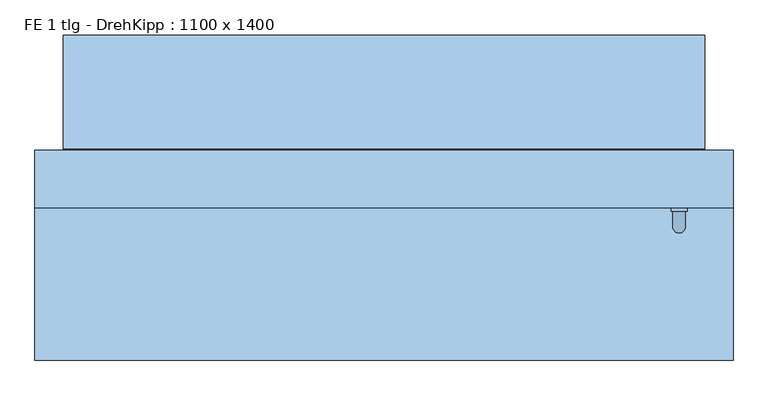
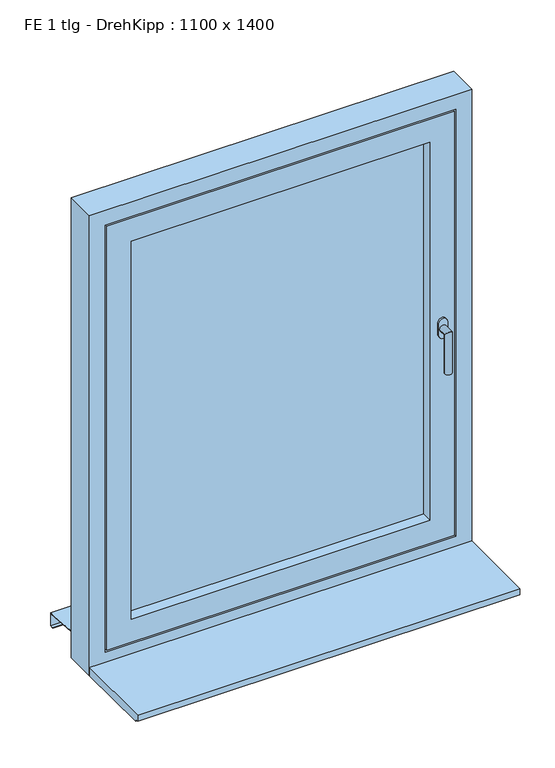
"""IFC4 building model written with IfcOpenShell, lengths in millimetres: window geometry, FE 1 tlg - DrehKipp : 1100 x 1400."""

from ifc_helpers import new_model, si_unit, frame, origin, place, context, project, spatial, polyline, circle_curve, ellipse_curve, outline, extrude, faceted_brep, source, transform, mapped, element, save
from ifc_brep_helpers import plane_surface, cylinder_surface, advanced_brep


def fe_1_tlg_drehkipp_1100_x_1400_0585fe8c(model_context):
    return source(origin(), model_context, "Body", "SolidModel", [
        advanced_brep(
        [(452.5, -5.0, 1572.5), (477.5, -5.0, 1572.5), (477.5, -5.0, 1555.0), (477.5, -5.0, 1537.5), (452.5, -5.0, 1537.5), (452.5, -5.0, 1555.0), (475.0, -35.0, 1555.0), (475.0, -11.0, 1555.0), (455.0, -11.0, 1555.0), (455.0, -35.0, 1555.0), (475.0, -35.0, 1435.0), (455.0, -35.0, 1435.0), (452.5, -11.0, 1572.5), (452.5, -11.0, 1555.0), (452.5, -11.0, 1537.5), (477.5, -11.0, 1537.5), (477.5, -11.0, 1555.0), (477.5, -11.0, 1572.5)],
        [
            (0, 1, circle_curve(frame((465.0, -5.0, 1572.5), z_axis=(0.0, 1.0, 0.0), x_axis=(-1.0, 0.0, 0.0)), 12.5)),
            (1, 2),
            (2, 3),
            (3, 4, circle_curve(frame((465.0, -5.0, 1537.5), z_axis=(0.0, 1.0, 0.0), x_axis=(-1.0, 0.0, 0.0)), 12.5)),
            (4, 5),
            (5, 0),
            (6, 7),
            (7, 8, circle_curve(frame((465.0, -11.0, 1555.0), z_axis=(0.0, -1.0, 0.0), x_axis=(-1.0, 0.0, 0.0)), 10.0)),
            (8, 9),
            (9, 6, ellipse_curve(frame((465.0, -35.0, 1555.0), z_axis=(0.0, 0.7071067811865498, 0.7071067811865451), x_axis=(0.0, 0.7071067811865452, -0.7071067811865497)), 14.1421356, 10.0)),
            (8, 7, circle_curve(frame((465.0, -11.0, 1555.0), z_axis=(0.0, -1.0, 0.0), x_axis=(-1.0, 0.0, 0.0)), 10.0)),
            (6, 9, ellipse_curve(frame((465.0, -35.0, 1555.0), z_axis=(0.0, 0.7071067811865498, 0.7071067811865451), x_axis=(0.0, 0.7071067811865452, -0.7071067811865497)), 14.1421356, 10.0)),
            (10, 11, circle_curve(frame((465.0, -35.0, 1435.0), z_axis=(0.0, 0.0, -1.0), x_axis=(-1.0, 0.0, 0.0)), 10.0)),
            (11, 10, circle_curve(frame((465.0, -35.0, 1435.0), z_axis=(0.0, 0.0, -1.0), x_axis=(-1.0, 0.0, 0.0)), 10.0)),
            (9, 11),
            (10, 6),
            (12, 13),
            (13, 14),
            (14, 15, circle_curve(frame((465.0, -11.0, 1537.5), z_axis=(0.0, -1.0, 0.0), x_axis=(-1.0, 0.0, 0.0)), 12.5)),
            (15, 16),
            (16, 17),
            (17, 12, circle_curve(frame((465.0, -11.0, 1572.5), z_axis=(0.0, -1.0, 0.0), x_axis=(-1.0, 0.0, 0.0)), 12.5)),
            (17, 1),
            (0, 12),
            (16, 2),
            (15, 3),
            (14, 4),
            (13, 5),
        ],
        [
            plane_surface(frame((465.0, -5.0, 1555.0), z_axis=(0.0, 1.0, 0.0), x_axis=(-1.0, 0.0, 0.0))),
            cylinder_surface(frame((465.0, -5.0, 1555.0), z_axis=(0.0, 1.0, 0.0), x_axis=(-1.0, 0.0, 0.0)), 10.0),
            plane_surface(frame((465.0, -35.0, 1435.0), z_axis=(0.0, 0.0, -1.0), x_axis=(-1.0, 0.0, 0.0))),
            cylinder_surface(frame((465.0, -35.0, 1555.0), z_axis=(0.0, 0.0, 1.0), x_axis=(-1.0, 0.0, 0.0)), 10.0),
            plane_surface(frame((452.5, -11.0, 1572.5), z_axis=(0.0, -1.0, 0.0), x_axis=(0.0, 0.0, 1.0))),
            cylinder_surface(frame((465.0, -5.0, 1572.5), z_axis=(0.0, -1.0, 0.0), x_axis=(-1.0, 0.0, 0.0)), 12.5),
            plane_surface(frame((477.5, -11.0, 1572.5), z_axis=(1.0, 0.0, 0.0), x_axis=(0.0, 1.0, 0.0))),
            plane_surface(frame((477.5, -11.0, 1555.0), z_axis=(1.0, 0.0, 0.0), x_axis=(0.0, 1.0, 0.0))),
            cylinder_surface(frame((465.0, -5.0, 1537.5), z_axis=(0.0, -1.0, 0.0), x_axis=(-1.0, 0.0, 0.0)), 12.5),
            plane_surface(frame((452.5, -11.0, 1537.5), z_axis=(-1.0, 0.0, 0.0), x_axis=(0.0, 1.0, 0.0))),
            plane_surface(frame((452.5, -11.0, 1555.0), z_axis=(-1.0, 0.0, 0.0), x_axis=(0.0, 1.0, 0.0))),
        ],
        [
            (0, [[1, 2, 3, 4, 5, 6]]),
            (1, [[7, 8, 9, 10]]),
            (1, [[-9, 11, -7, 12]]),
            (2, [[13, 14]]),
            (3, [[15, -13, 16, -10]]),
            (3, [[-16, -14, -15, -12]]),
            (4, [[17, 18, 19, 20, 21, 22], [-11, -8]]),
            (5, [[23, -1, 24, -22]]),
            (6, [[25, -2, -23, -21]]),
            (7, [[26, -3, -25, -20]]),
            (8, [[27, -4, -26, -19]]),
            (9, [[28, -5, -27, -18]]),
            (10, [[-24, -6, -28, -17]]),
        ],
    ),
        faceted_brep([(-430.0, -5.0, 2130.0), (-430.0, -5.0, 980.0), (-430.0, 85.0, 980.0), (-430.0, 85.0, 2130.0), (-460.0, 85.0, 950.0), (-460.0, 85.0, 2160.0), (460.0, 85.0, 2160.0), (460.0, 85.0, 950.0), (430.0, 85.0, 980.0), (430.0, 85.0, 2130.0), (430.0, -5.0, 980.0), (-500.0, -5.0, 2200.0), (-500.0, -5.0, 910.0), (500.0, -5.0, 910.0), (500.0, -5.0, 2200.0), (430.0, -5.0, 2130.0), (-500.0, 10.0, 2200.0), (-500.0, 10.0, 910.0), (500.0, 10.0, 910.0), (500.0, 10.0, 2200.0), (-485.0, 10.0, 2185.0), (-485.0, 10.0, 925.0), (485.0, 10.0, 925.0), (485.0, 10.0, 2185.0), (-485.0, 40.0, 2185.0), (-485.0, 40.0, 925.0), (485.0, 40.0, 925.0), (485.0, 40.0, 2185.0), (-475.0, 40.0, 2175.0), (-475.0, 40.0, 935.0), (475.0, 40.0, 935.0), (475.0, 40.0, 2175.0), (-475.0, 70.0, 2175.0), (-475.0, 70.0, 935.0), (475.0, 70.0, 935.0), (475.0, 70.0, 2175.0), (-460.0, 70.0, 2160.0), (-460.0, 70.0, 950.0), (460.0, 70.0, 950.0), (460.0, 70.0, 2160.0)], [[[0, 1, 2, 3]], [[4, 5, 6, 7], [3, 2, 8, 9]], [[1, 10, 8, 2]], [[11, 12, 13, 14], [1, 0, 15, 10]], [[16, 17, 12, 11]], [[17, 18, 13, 12]], [[17, 16, 19, 18], [20, 21, 22, 23]], [[24, 25, 21, 20]], [[25, 26, 22, 21]], [[25, 24, 27, 26], [28, 29, 30, 31]], [[32, 33, 29, 28]], [[33, 34, 30, 29]], [[33, 32, 35, 34], [36, 37, 38, 39]], [[5, 4, 37, 36]], [[4, 7, 38, 37]], [[10, 15, 9, 8]], [[18, 19, 14, 13]], [[26, 27, 23, 22]], [[34, 35, 31, 30]], [[7, 6, 39, 38]], [[15, 0, 3, 9]], [[19, 16, 11, 14]], [[27, 24, 20, 23]], [[35, 32, 28, 31]], [[6, 5, 36, 39]]]),
        extrude(outline(polyline([(-430.0, 70.0), (430.0, 70.0), (430.0, 26.0), (-430.0, 26.0), (-430.0, 70.0)])), frame((0.0, 0.0, 980.0), z_axis=(0.0, 0.0, 1.0), x_axis=(1.0, 0.0, 0.0)), (0.0, 0.0, 1.0), 1150.0),
        faceted_brep([(-505.0, 267.0, 860.6252434), (-505.0, 245.0, 862.0002434), (-505.0, 87.0, 871.8752434), (505.0, 87.0, 871.8752434), (505.0, 245.0, 862.0002434), (505.0, 267.0, 860.6252434), (-505.0, 267.0, 820.6252434), (505.0, 267.0, 820.6252434), (-505.0, 255.0, 820.6252434), (505.0, 255.0, 820.6252434), (-505.0, 255.0, 822.6252434), (505.0, 255.0, 822.6252434), (-505.0, 265.0, 822.6252434), (505.0, 265.0, 822.6252434), (-505.0, 265.0, 858.75), (505.0, 265.0, 858.75), (-505.0, 245.0, 860.0), (505.0, 245.0, 860.0), (505.0, 85.0, 870.0), (-505.0, 85.0, 870.0), (-505.0, 85.0, 890.0), (505.0, 85.0, 890.0), (-505.0, 87.0, 890.0), (505.0, 87.0, 890.0)], [[[0, 1, 2, 3, 4, 5]], [[6, 0, 5, 7]], [[8, 6, 7, 9]], [[10, 8, 9, 11]], [[12, 10, 11, 13]], [[14, 12, 13, 15]], [[16, 14, 15, 17, 18, 19]], [[20, 19, 18, 21]], [[22, 20, 21, 23]], [[2, 22, 23, 3]], [[16, 1, 0, 6, 8, 10, 12, 14]], [[17, 4, 3, 23, 21, 18]], [[1, 16, 19, 20, 22, 2]], [[4, 17, 15, 13, 11, 9, 7, 5]]]),
        faceted_brep([(550.0, 85.0, 850.0), (550.0, -5.0, 850.0), (-550.0, -5.0, 850.0), (-550.0, 85.0, 850.0), (550.0, 85.0, 2250.0), (550.0, -5.0, 2250.0), (-550.0, -5.0, 2250.0), (505.0, -5.0, 2205.0), (505.0, -5.0, 905.0), (-505.0, -5.0, 905.0), (-505.0, -5.0, 2205.0), (-550.0, 85.0, 2250.0), (465.0, 85.0, 945.0), (465.0, 85.0, 2165.0), (-465.0, 85.0, 2165.0), (-465.0, 85.0, 945.0), (465.0, 70.0, 945.0), (465.0, 70.0, 2165.0), (-465.0, 70.0, 945.0), (-465.0, 70.0, 2165.0), (505.0, 10.0, 2205.0), (505.0, 10.0, 905.0), (-505.0, 10.0, 905.0), (-505.0, 10.0, 2205.0), (490.0, 10.0, 2190.0), (490.0, 10.0, 920.0), (-490.0, 10.0, 920.0), (-490.0, 10.0, 2190.0), (490.0, 40.0, 920.0), (490.0, 40.0, 2190.0), (-490.0, 40.0, 2190.0), (-490.0, 40.0, 920.0), (480.0, 40.0, 2180.0), (480.0, 40.0, 930.0), (-480.0, 40.0, 930.0), (-480.0, 40.0, 2180.0), (480.0, 70.0, 930.0), (480.0, 70.0, 2180.0), (-480.0, 70.0, 2180.0), (-480.0, 70.0, 930.0)], [[[0, 1, 2, 3]], [[4, 5, 1, 0]], [[5, 6, 2, 1], [7, 8, 9, 10]], [[6, 11, 3, 2]], [[11, 4, 0, 3], [12, 13, 14, 15]], [[12, 16, 17, 13]], [[18, 15, 14, 19]], [[16, 12, 15, 18]], [[20, 21, 8, 7]], [[8, 21, 22, 9]], [[9, 22, 23, 10]], [[21, 20, 23, 22], [24, 25, 26, 27]], [[28, 29, 30, 31], [32, 33, 34, 35]], [[29, 28, 25, 24]], [[25, 28, 31, 26]], [[36, 37, 38, 39], [17, 16, 18, 19]], [[37, 36, 33, 32]], [[33, 36, 39, 34]], [[26, 31, 30, 27]], [[34, 39, 38, 35]], [[4, 11, 6, 5]], [[20, 7, 10, 23]], [[29, 24, 27, 30]], [[37, 32, 35, 38]], [[13, 17, 19, 14]]]),
        extrude(outline(polyline([(-245.0, 875.0), (-5.0, 875.0), (-5.0, 850.0), (-235.0, 850.0), (-235.0, 857.0), (-245.0, 857.0), (-245.0, 875.0)])), frame((-550.0, 0.0, 0.0), z_axis=(1.0, 0.0, 0.0), x_axis=(0.0, 1.0, 0.0)), (0.0, 0.0, 1.0), 1100.0),
    ])


if __name__ == "__main__":
    model = new_model("IFC4")
    model_context = context("Model", 3, world=origin())
    ifc_project = project(units=[si_unit("LENGTHUNIT", "METRE", prefix="MILLI")], contexts=[model_context])
    site = spatial("IfcSite", under=ifc_project)
    building = spatial("IfcBuilding", under=site)
    placement = place(None, origin())
    fe_1_tlg_drehkipp_1100_x_1400_shape = fe_1_tlg_drehkipp_1100_x_1400_0585fe8c(model_context)
    element("IfcWindow", 1, ObjectType="FE 1 tlg - DrehKipp : 1100 x 1400", at=placement, inside=building, context=model_context, shape_type="MappedRepresentation", body=[
        mapped(fe_1_tlg_drehkipp_1100_x_1400_shape, transform((0.0, 0.0, 0.0), x_axis=(1.0, 0.0, 0.0), y_axis=(0.0, 1.0, 0.0), z_axis=(0.0, 0.0, 1.0))),
    ])
    save(model, "model.ifc")
